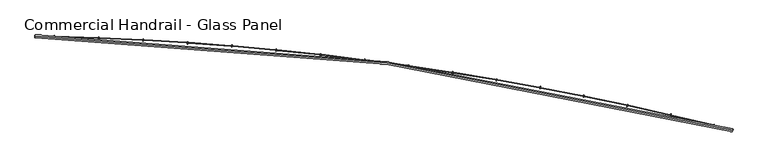
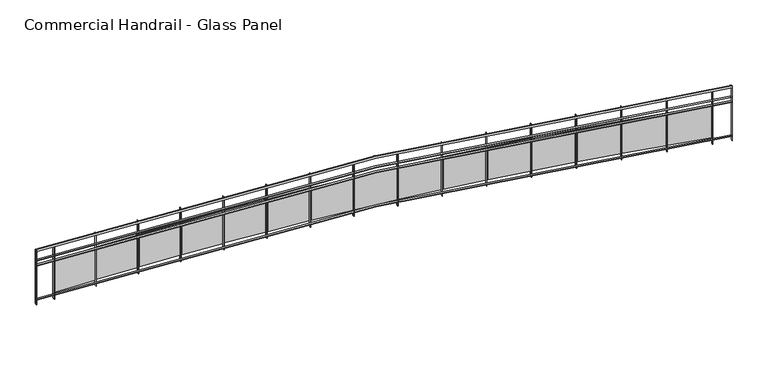
"""IFC4 building model written with IfcOpenShell, lengths in millimetres: railing geometry, Commercial Handrail - Glass Panel."""

from ifc_helpers import new_model, si_unit, point, frame, origin, place, context, project, spatial, polyline, circle_curve, ellipse_curve, trimmed, outline, extrude, source, transform, mapped, element, save
from ifc_brep_helpers import plane_surface, cylinder_surface, revolved_surface, advanced_brep


def commercial_handrail_glass_panel_182678a6(model_context):
    return source(origin(), model_context, "Body", "SolidModel", [
        advanced_brep(
        [(127651.4463587, -32615.5815285, 12882.5), (140199.431702, -34306.4790783, 12882.5), (140199.431702, -34306.4790783, 12917.5), (127651.4463587, -32615.5815285, 12917.5)],
        [
            (0, 1, circle_curve(frame((126699.3049554, -87085.4645407, 12882.5), z_axis=(0.0, 0.0, -1.0), x_axis=(0.24780785186476648, 0.9688092013158061, 0.0)), 54478.2041611)),
            (1, 2, ellipse_curve(frame((140199.431702, -34306.4790783, 12900.0), z_axis=(-0.9688092013158076, 0.2478078518647603, 0.0), x_axis=(0.2478078518647603, 0.9688092013158076, 0.0)), 25.0, 17.5)),
            (2, 3, circle_curve(frame((126699.3049554, -87085.4645407, 12917.5), z_axis=(0.0, 0.0, 1.0), x_axis=(0.24780785186476648, 0.9688092013158061, 0.0)), 54478.2041611)),
            (3, 0, ellipse_curve(frame((127651.4463587, -32615.5815285, 12900.0), z_axis=(0.9998472572840302, -0.01747747411963002, 0.0), x_axis=(0.01747747411963002, 0.9998472572840302, 0.0)), 25.0, 17.5)),
            (2, 1, ellipse_curve(frame((140199.431702, -34306.4790783, 12900.0), z_axis=(-0.9688092013158076, 0.2478078518647603, 0.0), x_axis=(0.2478078518647603, 0.9688092013158076, 0.0)), 25.0, 17.5)),
            (0, 3, ellipse_curve(frame((127651.4463587, -32615.5815285, 12900.0), z_axis=(0.9998472572840302, -0.01747747411963002, 0.0), x_axis=(0.01747747411963002, 0.9998472572840302, 0.0)), 25.0, 17.5)),
        ],
        [
            revolved_surface(trimmed(ellipse_curve(frame((140199.431702, -34306.4790783, 12900.0), z_axis=(0.9688092013158061, -0.24780785186476648, 0.0), x_axis=(0.0, 0.0, -1.0)), 17.5, 25.0), [point((140199.431702, -34306.4790783, 12917.5))], [point((140199.431702, -34306.4790783, 12882.5))], True, "CARTESIAN"), (126699.3049554, -87085.4645407, 12900.0), (0.0, 0.0, 1.0)),
            revolved_surface(trimmed(ellipse_curve(frame((140199.431702, -34306.4790783, 12900.0), z_axis=(0.9688092013158061, -0.24780785186476648, 0.0), x_axis=(0.0, 0.0, -1.0)), 17.5, 25.0), [point((140199.431702, -34306.4790783, 12882.5))], [point((140199.431702, -34306.4790783, 12917.5))], True, "CARTESIAN"), (126699.3049554, -87085.4645407, 12900.0), (0.0, 0.0, 1.0)),
            plane_surface(frame((140199.431702, -34306.4790783, 12900.0), z_axis=(0.9688092013158061, -0.24780785186476648, 0.0), x_axis=(0.24780785186476648, 0.9688092013158061, 0.0))),
            plane_surface(frame((127651.4463587, -32615.5815285, 12900.0), z_axis=(-0.9998472572840302, 0.01747747411963012, 0.0), x_axis=(0.01747747411963012, 0.9998472572840302, 0.0))),
        ],
        [
            (0, [[1, 2, 3, 4]]),
            (1, [[-3, 5, -1, 6]]),
            (2, [[-2, -5]]),
            (3, [[-6, -4]]),
        ],
    ),
        advanced_brep(
        [(127651.0531155, -32638.0780917, 12700.0), (140193.8560253, -34328.2772853, 12700.0), (140205.0073787, -34284.6808712, 12700.0), (127651.8396019, -32593.0849652, 12700.0), (127651.0531155, -32638.0780917, 12694.0), (140193.8560253, -34328.2772853, 12694.0), (127651.8396019, -32593.0849652, 12694.0), (140205.0073787, -34284.6808712, 12694.0)],
        [
            (0, 1, circle_curve(frame((126699.3049554, -87085.4645407, 12700.0), z_axis=(0.0, 0.0, -1.0), x_axis=(0.24780785186476648, 0.9688092013158061, 0.0)), 54455.7041611)),
            (1, 2),
            (2, 3, circle_curve(frame((126699.3049554, -87085.4645407, 12700.0), z_axis=(0.0, 0.0, 1.0), x_axis=(0.24780785186476648, 0.9688092013158061, 0.0)), 54500.7041611)),
            (3, 0),
            (4, 5, circle_curve(frame((126699.3049554, -87085.4645407, 12694.0), z_axis=(0.0, 0.0, -1.0), x_axis=(0.24780785186476648, 0.9688092013158061, 0.0)), 54455.7041611)),
            (5, 1),
            (0, 4),
            (6, 7, circle_curve(frame((126699.3049554, -87085.4645407, 12694.0), z_axis=(0.0, 0.0, -1.0), x_axis=(0.24780785186476648, 0.9688092013158061, 0.0)), 54500.7041611)),
            (7, 5),
            (4, 6),
            (2, 7),
            (6, 3),
        ],
        [
            plane_surface(frame((126699.3049554, -87085.4645407, 12700.0), z_axis=(0.0, 0.0, 1.0000000000000002), x_axis=(0.24780785186476648, 0.9688092013158061, 0.0))),
            revolved_surface(polyline([(140193.85602534542, -34328.2772852949, 12700.0), (140193.85602534542, -34328.2772852949, 12694.0)]), (126699.3049554, -87085.4645407, 12700.0), (0.0, 0.0, 1.0)),
            plane_surface(frame((126699.3049554, -87085.4645407, 12694.0), z_axis=(0.0, 0.0, -1.0000000000000002), x_axis=(0.24780785186476648, 0.9688092013158061, 0.0))),
            cylinder_surface(frame((126699.3049554, -87085.4645407, 12700.0), z_axis=(0.0, 0.0, 1.0), x_axis=(0.24780785186476648, 0.9688092013158061, 0.0)), 54500.7041611),
            plane_surface(frame((140199.431702, -34306.4790783, 12700.0), z_axis=(0.9688092013158061, -0.24780785186476648, 0.0), x_axis=(0.24780785186476648, 0.9688092013158061, 0.0))),
            plane_surface(frame((127651.4463587, -32615.5815285, 12700.0), z_axis=(-0.9998472572840302, 0.01747747411963012, 0.0), x_axis=(0.01747747411963012, 0.9998472572840302, 0.0))),
        ],
        [
            (0, [[1, 2, 3, 4]]),
            (1, [[5, 6, -1, 7]]),
            (2, [[8, 9, -5, 10]]),
            (3, [[-3, 11, -8, 12]]),
            (4, [[-2, -6, -9, -11]]),
            (5, [[-12, -10, -7, -4]]),
        ],
    ),
        advanced_brep(
        [(127651.0531155, -32638.0780917, 12600.0), (140193.8560253, -34328.2772853, 12600.0), (140205.0073787, -34284.6808712, 12600.0), (127651.8396019, -32593.0849652, 12600.0), (127651.0531155, -32638.0780917, 12594.0), (140193.8560253, -34328.2772853, 12594.0), (127651.8396019, -32593.0849652, 12594.0), (140205.0073787, -34284.6808712, 12594.0)],
        [
            (0, 1, circle_curve(frame((126699.3049554, -87085.4645407, 12600.0), z_axis=(0.0, 0.0, -1.0), x_axis=(0.24780785186476648, 0.9688092013158061, 0.0)), 54455.7041611)),
            (1, 2),
            (2, 3, circle_curve(frame((126699.3049554, -87085.4645407, 12600.0), z_axis=(0.0, 0.0, 1.0), x_axis=(0.24780785186476648, 0.9688092013158061, 0.0)), 54500.7041611)),
            (3, 0),
            (4, 5, circle_curve(frame((126699.3049554, -87085.4645407, 12594.0), z_axis=(0.0, 0.0, -1.0), x_axis=(0.24780785186476648, 0.9688092013158061, 0.0)), 54455.7041611)),
            (5, 1),
            (0, 4),
            (6, 7, circle_curve(frame((126699.3049554, -87085.4645407, 12594.0), z_axis=(0.0, 0.0, -1.0), x_axis=(0.24780785186476648, 0.9688092013158061, 0.0)), 54500.7041611)),
            (7, 5),
            (4, 6),
            (2, 7),
            (6, 3),
        ],
        [
            plane_surface(frame((126699.3049554, -87085.4645407, 12600.0), z_axis=(0.0, 0.0, 1.0000000000000002), x_axis=(0.24780785186476648, 0.9688092013158061, 0.0))),
            revolved_surface(polyline([(140193.85602534542, -34328.2772852949, 12600.0), (140193.85602534542, -34328.2772852949, 12594.0)]), (126699.3049554, -87085.4645407, 12600.0), (0.0, 0.0, 1.0)),
            plane_surface(frame((126699.3049554, -87085.4645407, 12594.0), z_axis=(0.0, 0.0, -1.0000000000000002), x_axis=(0.24780785186476648, 0.9688092013158061, 0.0))),
            cylinder_surface(frame((126699.3049554, -87085.4645407, 12600.0), z_axis=(0.0, 0.0, 1.0), x_axis=(0.24780785186476648, 0.9688092013158061, 0.0)), 54500.7041611),
            plane_surface(frame((140199.431702, -34306.4790783, 12600.0), z_axis=(0.9688092013158061, -0.24780785186476648, 0.0), x_axis=(0.24780785186476648, 0.9688092013158061, 0.0))),
            plane_surface(frame((127651.4463587, -32615.5815285, 12600.0), z_axis=(-0.9998472572840302, 0.01747747411963012, 0.0), x_axis=(0.01747747411963012, 0.9998472572840302, 0.0))),
        ],
        [
            (0, [[1, 2, 3, 4]]),
            (1, [[5, 6, -1, 7]]),
            (2, [[8, 9, -5, 10]]),
            (3, [[-3, 11, -8, 12]]),
            (4, [[-2, -6, -9, -11]]),
            (5, [[-12, -10, -7, -4]]),
        ],
    ),
        advanced_brep(
        [(127651.0531155, -32638.0780917, 11900.0), (140193.8560253, -34328.2772853, 11900.0), (140205.0073787, -34284.6808712, 11900.0), (127651.8396019, -32593.0849652, 11900.0), (127651.0531155, -32638.0780917, 11894.0), (140193.8560253, -34328.2772853, 11894.0), (127651.8396019, -32593.0849652, 11894.0), (140205.0073787, -34284.6808712, 11894.0)],
        [
            (0, 1, circle_curve(frame((126699.3049554, -87085.4645407, 11900.0), z_axis=(0.0, 0.0, -1.0), x_axis=(0.24780785186476648, 0.9688092013158061, 0.0)), 54455.7041611)),
            (1, 2),
            (2, 3, circle_curve(frame((126699.3049554, -87085.4645407, 11900.0), z_axis=(0.0, 0.0, 1.0), x_axis=(0.24780785186476648, 0.9688092013158061, 0.0)), 54500.7041611)),
            (3, 0),
            (4, 5, circle_curve(frame((126699.3049554, -87085.4645407, 11894.0), z_axis=(0.0, 0.0, -1.0), x_axis=(0.24780785186476648, 0.9688092013158061, 0.0)), 54455.7041611)),
            (5, 1),
            (0, 4),
            (6, 7, circle_curve(frame((126699.3049554, -87085.4645407, 11894.0), z_axis=(0.0, 0.0, -1.0), x_axis=(0.24780785186476648, 0.9688092013158061, 0.0)), 54500.7041611)),
            (7, 5),
            (4, 6),
            (2, 7),
            (6, 3),
        ],
        [
            plane_surface(frame((126699.3049554, -87085.4645407, 11900.0), z_axis=(0.0, 0.0, 1.0000000000000002), x_axis=(0.24780785186476648, 0.9688092013158061, 0.0))),
            revolved_surface(polyline([(140193.85602534542, -34328.2772852949, 11900.0), (140193.85602534542, -34328.2772852949, 11894.0)]), (126699.3049554, -87085.4645407, 11900.0), (0.0, 0.0, 1.0)),
            plane_surface(frame((126699.3049554, -87085.4645407, 11894.0), z_axis=(0.0, 0.0, -1.0000000000000002), x_axis=(0.24780785186476648, 0.9688092013158061, 0.0))),
            cylinder_surface(frame((126699.3049554, -87085.4645407, 11900.0), z_axis=(0.0, 0.0, 1.0), x_axis=(0.24780785186476648, 0.9688092013158061, 0.0)), 54500.7041611),
            plane_surface(frame((140199.431702, -34306.4790783, 11900.0), z_axis=(0.9688092013158061, -0.24780785186476648, 0.0), x_axis=(0.24780785186476648, 0.9688092013158061, 0.0))),
            plane_surface(frame((127651.4463587, -32615.5815285, 11900.0), z_axis=(-0.9998472572840302, 0.01747747411963012, 0.0), x_axis=(0.01747747411963012, 0.9998472572840302, 0.0))),
        ],
        [
            (0, [[1, 2, 3, 4]]),
            (1, [[5, 6, -1, 7]]),
            (2, [[8, 9, -5, 10]]),
            (3, [[-3, 11, -8, 12]]),
            (4, [[-2, -6, -9, -11]]),
            (5, [[-12, -10, -7, -4]]),
        ],
    ),
        extrude(outline(polyline([(127999.9429631, -32600.2821162), (127998.871532, -32645.2693592), (127992.873233, -32645.1265018), (127993.944664, -32600.1392587), (127999.9429631, -32600.2821162)])), frame((0.0, 0.0, 11800.0), z_axis=(0.0, 0.0, 1.0), x_axis=(1.0, 0.0, 0.0)), (0.0, 0.0, 1.0), 1082.1192282),
        extrude(outline(polyline([(128775.8848547, -32651.5298851), (128016.2536473, -32627.856511), (128016.6274374, -32615.8623341), (128776.2586449, -32639.5357081), (128775.8848547, -32651.5298851)])), frame((0.0, 0.0, 11920.0), z_axis=(0.0, 0.0, 1.0), x_axis=(1.0, 0.0, 0.0)), (0.0, 0.0, 1.0), 660.0),
        extrude(outline(polyline([(128799.8764477, -32625.2555578), (128798.1445285, -32670.2222172), (128792.1489739, -32669.9912946), (128793.8808931, -32625.0246352), (128799.8764477, -32625.2555578)])), frame((0.0, 0.0, 11800.0), z_axis=(0.0, 0.0, 1.0), x_axis=(1.0, 0.0, 0.0)), (0.0, 0.0, 1.0), 1082.1192282),
        extrude(outline(polyline([(129574.982143, -32687.8919213), (128815.7804641, -32653.0664896), (128816.3303393, -32641.0790947), (129575.5320183, -32675.9045264), (129574.982143, -32687.8919213)])), frame((0.0, 0.0, 11920.0), z_axis=(0.0, 0.0, 1.0), x_axis=(1.0, 0.0, 0.0)), (0.0, 0.0, 1.0), 660.0),
        extrude(outline(polyline([(129599.3569679, -32661.9727253), (129596.964934, -32706.9091045), (129590.9734168, -32706.5901666), (129593.3654507, -32661.6537874), (129599.3569679, -32661.9727253)])), frame((0.0, 0.0, 11800.0), z_axis=(0.0, 0.0, 1.0), x_axis=(1.0, 0.0, 0.0)), (0.0, 0.0, 1.0), 1082.1192282),
        extrude(outline(polyline([(130373.4593242, -32735.9841766), (129614.850887, -32690.014197), (129615.5767288, -32678.0361691), (130374.185166, -32724.0061487), (130373.4593242, -32735.9841766)])), frame((0.0, 0.0, 11920.0), z_axis=(0.0, 0.0, 1.0), x_axis=(1.0, 0.0, 0.0)), (0.0, 0.0, 1.0), 660.0),
        extrude(outline(polyline([(130398.2121248, -32710.4257011), (130395.160492, -32755.3221101), (130389.1743042, -32754.9152257), (130392.2259369, -32710.0188167), (130398.2121248, -32710.4257011)])), frame((0.0, 0.0, 11800.0), z_axis=(0.0, 0.0, 1.0), x_axis=(1.0, 0.0, 0.0)), (0.0, 0.0, 1.0), 1082.1192282),
        extrude(outline(polyline([(131171.1442157, -32795.7962805), (130413.2926055, -32738.6916659), (130414.1942573, -32726.7255879), (131172.0458675, -32783.8302025), (131171.1442157, -32795.7962805)])), frame((0.0, 0.0, 11920.0), z_axis=(0.0, 0.0, 1.0), x_axis=(1.0, 0.0, 0.0)), (0.0, 0.0, 1.0), 660.0),
        extrude(outline(polyline([(131196.2696543, -32770.6040368), (131192.5590808, -32815.4507942), (131186.5795131, -32814.956051), (131190.2900867, -32770.1092937), (131196.2696543, -32770.6040368)])), frame((0.0, 0.0, 11800.0), z_axis=(0.0, 0.0, 1.0), x_axis=(1.0, 0.0, 0.0)), (0.0, 0.0, 1.0), 1082.1192282),
        extrude(outline(polyline([(131967.8648058, -32867.3153352), (131210.9334448, -32799.0883995), (131212.0107122, -32787.1368517), (131968.9420732, -32855.3637874), (131967.8648058, -32867.3153352)])), frame((0.0, 0.0, 11920.0), z_axis=(0.0, 0.0, 1.0), x_axis=(1.0, 0.0, 0.0)), (0.0, 0.0, 1.0), 660.0),
        extrude(outline(polyline([(131993.3574644, -32842.4947558), (131988.9887502, -32887.2821908), (131983.0170922, -32886.6996956), (131987.3858064, -32841.9122605), (131993.3574644, -32842.4947558)])), frame((0.0, 0.0, 11800.0), z_axis=(0.0, 0.0, 1.0), x_axis=(1.0, 0.0, 0.0)), (0.0, 0.0, 1.0), 1082.1192282),
        extrude(outline(polyline([(132763.4492907, -32950.5259183), (132007.6014025, -32871.191374), (132008.8540532, -32859.2569336), (132764.7019414, -32938.591478), (132763.4492907, -32950.5259183)])), frame((0.0, 0.0, 11920.0), z_axis=(0.0, 0.0, 1.0), x_axis=(1.0, 0.0, 0.0)), (0.0, 0.0, 1.0), 660.0),
        extrude(outline(polyline([(132789.3036722, -32926.0823555), (132784.2777594, -32970.8008103), (132778.3152988, -32970.1306886), (132783.3412116, -32925.4122338), (132789.3036722, -32926.0823555)])), frame((0.0, 0.0, 11800.0), z_axis=(0.0, 0.0, 1.0), x_axis=(1.0, 0.0, 0.0)), (0.0, 0.0, 1.0), 1082.1192282),
        extrude(outline(polyline([(133557.7261118, -33045.4100865), (132803.1246864, -32954.9850411), (132804.5524503, -32943.0702817), (133559.1538757, -33033.4953272), (133557.7261118, -33045.4100865)])), frame((0.0, 0.0, 11920.0), z_axis=(0.0, 0.0, 1.0), x_axis=(1.0, 0.0, 0.0)), (0.0, 0.0, 1.0), 660.0),
        extrude(outline(polyline([(133583.9366409, -33021.3488112), (133578.2546133, -33065.9886428), (133572.3026358, -33065.2310391), (133577.9846634, -33020.5912075), (133583.9366409, -33021.3488112)])), frame((0.0, 0.0, 11800.0), z_axis=(0.0, 0.0, 1.0), x_axis=(1.0, 0.0, 0.0)), (0.0, 0.0, 1.0), 1082.1192282),
        extrude(outline(polyline([(134350.5239922, -33151.9473791), (133597.3317509, -33050.4513317), (133598.93432, -33038.5588226), (134352.1265613, -33140.05487), (134350.5239922, -33151.9473791)])), frame((0.0, 0.0, 11920.0), z_axis=(0.0, 0.0, 1.0), x_axis=(1.0, 0.0, 0.0)), (0.0, 0.0, 1.0), 660.0),
        extrude(outline(polyline([(134377.085017, -33128.2735799), (134370.7480998, -33172.8251621), (134364.8078888, -33171.9802398), (134371.144806, -33127.4286576), (134377.085017, -33128.2735799)])), frame((0.0, 0.0, 11800.0), z_axis=(0.0, 0.0, 1.0), x_axis=(1.0, 0.0, 0.0)), (0.0, 0.0, 1.0), 1082.1192282),
        extrude(outline(polyline([(135141.671974, -33270.1148225), (134390.0513341, -33157.5696596), (134391.828363, -33145.7019653), (135143.4490029, -33258.2471282), (135141.671974, -33270.1148225)])), frame((0.0, 0.0, 11920.0), z_axis=(0.0, 0.0, 1.0), x_axis=(1.0, 0.0, 0.0)), (0.0, 0.0, 1.0), 660.0),
        extrude(outline(polyline([(135168.5777669, -33246.8336043), (135161.5873266, -33291.2873302), (135155.6601632, -33290.3552715), (135162.6506034, -33245.9015456), (135168.5777669, -33246.8336043)])), frame((0.0, 0.0, 11800.0), z_axis=(0.0, 0.0, 1.0), x_axis=(1.0, 0.0, 0.0)), (0.0, 0.0, 1.0), 1082.1192282),
        extrude(outline(polyline([(135930.9994552, -33399.8869352), (135181.1124952, -33276.3169259), (135183.0636006, -33264.4766055), (135932.9505607, -33388.0466148), (135930.9994552, -33399.8869352)])), frame((0.0, 0.0, 11920.0), z_axis=(0.0, 0.0, 1.0), x_axis=(1.0, 0.0, 0.0)), (0.0, 0.0, 1.0), 660.0),
        extrude(outline(polyline([(135958.2442142, -33377.0033185), (135950.6017583, -33421.3496021), (135944.6889205, -33420.330608), (135952.3313764, -33375.9843244), (135958.2442142, -33377.0033185)])), frame((0.0, 0.0, 11800.0), z_axis=(0.0, 0.0, 1.0), x_axis=(1.0, 0.0, 0.0)), (0.0, 0.0, 1.0), 1082.1192282),
        extrude(outline(polyline([(136718.3362263, -33541.2357335), (135970.3446508, -33406.6675242), (135972.469412, -33394.8571309), (136720.4609875, -33529.4253402), (136718.3362263, -33541.2357335)])), frame((0.0, 0.0, 11920.0), z_axis=(0.0, 0.0, 1.0), x_axis=(1.0, 0.0, 0.0)), (0.0, 0.0, 1.0), 660.0),
        extrude(outline(polyline([(136745.9140764, -33518.7546527), (136737.6212529, -33562.9839312), (136731.7240157, -33561.8782214), (136740.0168393, -33517.6489429), (136745.9140764, -33518.7546527)])), frame((0.0, 0.0, 11800.0), z_axis=(0.0, 0.0, 1.0), x_axis=(1.0, 0.0, 0.0)), (0.0, 0.0, 1.0), 1082.1192282),
        extrude(outline(polyline([(137503.512507, -33694.1307369), (136757.5776119, -33548.5933458), (136759.8755707, -33536.8154264), (137505.8104658, -33682.3528175), (137503.512507, -33694.1307369)])), frame((0.0, 0.0, 11920.0), z_axis=(0.0, 0.0, 1.0), x_axis=(1.0, 0.0, 0.0)), (0.0, 0.0, 1.0), 660.0),
        extrude(outline(polyline([(137531.4175014, -33672.0570399), (137522.4760984, -33716.1597758), (137516.5957336, -33714.9675887), (137525.5371366, -33670.8648528), (137531.4175014, -33672.0570399)])), frame((0.0, 0.0, 11800.0), z_axis=(0.0, 0.0, 1.0), x_axis=(1.0, 0.0, 0.0)), (0.0, 0.0, 1.0), 1082.1192282),
        extrude(outline(polyline([(138286.358983, -33858.5389754), (137542.6416206, -33702.063786), (137545.1122815, -33690.3208803), (138288.8296439, -33846.7960697), (138286.358983, -33858.5389754)])), frame((0.0, 0.0, 11920.0), z_axis=(0.0, 0.0, 1.0), x_axis=(1.0, 0.0, 0.0)), (0.0, 0.0, 1.0), 660.0),
        extrude(outline(polyline([(138314.5851042, -33836.8774222), (138304.99705, -33880.8441052), (138299.1348256, -33879.5656979), (138308.7228798, -33835.5990149), (138314.5851042, -33836.8774222)])), frame((0.0, 0.0, 11800.0), z_axis=(0.0, 0.0, 1.0), x_axis=(1.0, 0.0, 0.0)), (0.0, 0.0, 1.0), 1082.1192282),
        extrude(outline(polyline([(139066.7068423, -34034.4249963), (138325.3673869, -33867.0457507), (138328.0102171, -33855.3403909), (139069.3496725, -34022.7196365), (139066.7068423, -34034.4249963)])), frame((0.0, 0.0, 11920.0), z_axis=(0.0, 0.0, 1.0), x_axis=(1.0, 0.0, 0.0)), (0.0, 0.0, 1.0), 660.0),
        extrude(outline(polyline([(139095.2480037, -34013.1802579), (139085.0153658, -34057.0014071), (139079.1725459, -34055.6370554), (139089.4051838, -34011.8159061), (139095.2480037, -34013.1802579)])), frame((0.0, 0.0, 11800.0), z_axis=(0.0, 0.0, 1.0), x_axis=(1.0, 0.0, 0.0)), (0.0, 0.0, 1.0), 1082.1192282),
        extrude(outline(polyline([(139844.3878118, -34221.7508718), (139105.5861248, -34043.5036633), (139108.4005544, -34031.8383735), (139847.2022414, -34210.085582), (139844.3878118, -34221.7508718)])), frame((0.0, 0.0, 11920.0), z_axis=(0.0, 0.0, 1.0), x_axis=(1.0, 0.0, 0.0)), (0.0, 0.0, 1.0), 660.0),
        extrude(outline(polyline([(139873.2378588, -34200.9275293), (139862.3628437, -34244.5936952), (139856.5406882, -34243.1436932), (139867.4157033, -34199.4775273), (139873.2378588, -34200.9275293)])), frame((0.0, 0.0, 11800.0), z_axis=(0.0, 0.0, 1.0), x_axis=(1.0, 0.0, 0.0)), (0.0, 0.0, 1.0), 1082.1192282),
        extrude(outline(polyline([(127654.8391437, -32593.1373976), (127654.0526573, -32638.1305242), (127648.0535738, -32638.0256593), (127648.8400601, -32593.0325327), (127654.8391437, -32593.1373976)])), frame((0.0, 0.0, 11800.0), z_axis=(0.0, 0.0, 1.0), x_axis=(1.0, 0.0, 0.0)), (0.0, 0.0, 1.0), 1082.1192282),
        extrude(outline(polyline([(140207.9138063, -34285.4242948), (140196.7624529, -34329.0207088), (140190.9495977, -34327.5338617), (140202.1009511, -34283.9374477), (140207.9138063, -34285.4242948)])), frame((0.0, 0.0, 11800.0), z_axis=(0.0, 0.0, 1.0), x_axis=(1.0, 0.0, 0.0)), (0.0, 0.0, 1.0), 1082.1192282),
    ])


if __name__ == "__main__":
    model = new_model("IFC4")
    model_context = context("Model", 3, world=origin())
    ifc_project = project(units=[si_unit("LENGTHUNIT", "METRE", prefix="MILLI")], contexts=[model_context])
    site = spatial("IfcSite", under=ifc_project)
    building = spatial("IfcBuilding", under=site)
    placement = place(None, origin())
    commercial_handrail_glass_panel_shape = commercial_handrail_glass_panel_182678a6(model_context)
    element("IfcRailing", 1, ObjectType="Commercial Handrail - Glass Panel", at=placement, inside=building, context=model_context, shape_type="MappedRepresentation", body=[
        mapped(commercial_handrail_glass_panel_shape, transform((0.0, 0.0, 0.0), x_axis=(1.0, 0.0, 0.0), y_axis=(0.0, 1.0, 0.0), z_axis=(0.0, 0.0, 1.0))),
    ])
    save(model, "model.ifc")
